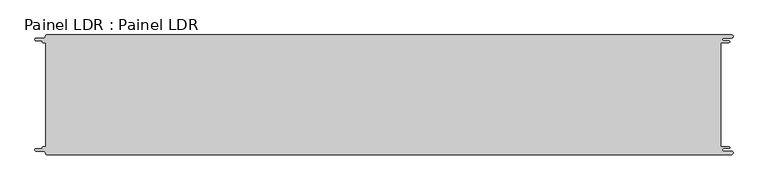
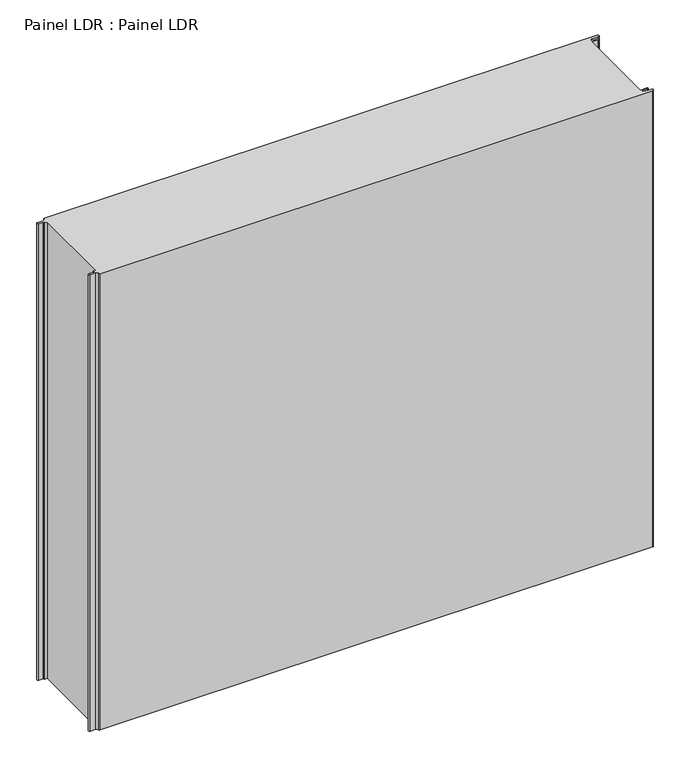
"""IFC4 building model written with IfcOpenShell, lengths in millimetres: proxy geometry, Painel LDR : Painel LDR."""

from ifc_helpers import new_model, si_unit, frame, origin, place, context, project, spatial, polyline, circle_curve, source, transform, mapped, element, save
from ifc_brep_helpers import plane_surface, cylinder_surface, revolved_surface, advanced_brep


def painel_ldr_painel_ldr_690f710b(model_context):
    return source(origin(), model_context, "Body", "AdvancedBrep", [
        advanced_brep(
        [(-579.5093748, -87.3, 1000.0), (-580.1093748, -87.9, 1000.0), (-580.1093748, -88.7085184, 1000.0), (-581.5093751, -90.1085187, 1000.0), (-590.4875, -90.1085187, 1000.0), (-590.4875, -94.5085185, 1000.0), (-578.471875, -94.5085185, 1000.0), (-574.921875, -98.0585185, 1000.0), (-572.971875, -100.0, 1000.0), (572.284375, -100.0, 1000.0), (572.284375, -94.725, 1000.0), (559.378125, -94.725, 1000.0), (559.378125, -89.875, 1000.0), (568.0406253, -89.875, 1000.0), (568.0406253, -87.3, 1000.0), (554.1906253, -87.3, 1000.0), (554.1906253, 87.3, 1000.0), (568.0406253, 87.3, 1000.0), (568.0406253, 89.875, 1000.0), (559.378125, 89.875, 1000.0), (559.378125, 94.725, 1000.0), (572.284375, 94.725, 1000.0), (572.284375, 100.0, 1000.0), (-572.971875, 100.0, 1000.0), (-574.921875, 98.05, 1000.0), (-578.471875, 94.5085185, 1000.0), (-590.4875, 94.5085185, 1000.0), (-590.4875, 90.1085185, 1000.0), (-581.5093753, 90.1085185, 1000.0), (-580.1093753, 88.7085185, 1000.0), (-580.1093753, 87.9, 1000.0), (-579.5093748, 87.2999995, 1000.0), (-574.2218362, 87.2999995, 1000.0), (-574.2218362, -87.3, 1000.0), (-579.5093748, -87.3, 0.0), (-574.2218362, -87.3, 0.0), (-574.2218362, 87.2999995, 0.0), (-579.5093748, 87.2999995, 0.0), (-580.1093753, 87.9, 0.0), (-580.1093753, 88.7085185, 0.0), (-581.5093753, 90.1085185, 0.0), (-590.4875, 90.1085185, 0.0), (-590.4875, 94.5085185, 0.0), (-578.471875, 94.5085185, 0.0), (-574.921875, 98.0585185, 0.0), (-572.971875, 100.0, 0.0), (572.284375, 100.0, 0.0), (572.284375, 94.725, 0.0), (559.378125, 94.725, 0.0), (559.378125, 89.875, 0.0), (568.0406253, 89.875, 0.0), (568.0406253, 87.3, 0.0), (554.1906253, 87.3, 0.0), (554.1906253, -87.3, 0.0), (568.0406253, -87.3, 0.0), (568.0406253, -89.875, 0.0), (559.378125, -89.875, 0.0), (559.378125, -94.725, 0.0), (572.284375, -94.725, 0.0), (572.284375, -100.0, 0.0), (-572.971875, -100.0, 0.0), (-574.921875, -98.05, 0.0), (-578.471875, -94.5085185, 0.0), (-590.4875, -94.5085185, 0.0), (-590.4875, -90.1085187, 0.0), (-581.5093751, -90.1085187, 0.0), (-580.1093748, -88.7085184, 0.0), (-580.1093748, -87.9, 0.0)],
        [
            (0, 1, circle_curve(frame((-579.5093748, -87.9, 1000.0), z_axis=(0.0, 0.0, 1.0), x_axis=(1.0, 0.0, 0.0)), 0.6)),
            (1, 2),
            (2, 3, circle_curve(frame((-581.5093751, -88.7085184, 1000.0), z_axis=(0.0, 0.0, -1.0), x_axis=(1.0, 0.0, 0.0)), 1.4000003)),
            (3, 4),
            (4, 5, circle_curve(frame((-590.4875, -92.3085186, 1000.0), z_axis=(0.0, 0.0, 1.0), x_axis=(1.0, 0.0, 0.0)), 2.1999999)),
            (5, 6),
            (6, 7, circle_curve(frame((-578.471875, -98.0585185, 1000.0), z_axis=(0.0, 0.0, -1.0), x_axis=(1.0, 0.0, 0.0)), 3.55)),
            (7, 8, circle_curve(frame((-572.971875, -98.05, 1000.0), z_axis=(0.0, 0.0, 1.0), x_axis=(1.0, 0.0, 0.0)), 1.95)),
            (8, 9),
            (9, 10, circle_curve(frame((572.284375, -97.3625, 1000.0), z_axis=(0.0, 0.0, 1.0), x_axis=(1.0, 0.0, 0.0)), 2.6375)),
            (10, 11),
            (11, 12, circle_curve(frame((559.378125, -92.3, 1000.0), z_axis=(0.0, 0.0, -1.0), x_axis=(1.0, 0.0, 0.0)), 2.425)),
            (12, 13),
            (13, 14, circle_curve(frame((568.0406253, -88.5875, 1000.0), z_axis=(0.0, 0.0, 1.0), x_axis=(1.0, 0.0, 0.0)), 1.2875)),
            (14, 15),
            (15, 16),
            (16, 17),
            (17, 18, circle_curve(frame((568.0406253, 88.5875, 1000.0), z_axis=(0.0, 0.0, 1.0), x_axis=(1.0, 0.0, 0.0)), 1.2875)),
            (18, 19),
            (19, 20, circle_curve(frame((559.378125, 92.3, 1000.0), z_axis=(0.0, 0.0, -1.0), x_axis=(1.0, 0.0, 0.0)), 2.425)),
            (20, 21),
            (21, 22, circle_curve(frame((572.284375, 97.3625, 1000.0), z_axis=(0.0, 0.0, 1.0), x_axis=(1.0, 0.0, 0.0)), 2.6375)),
            (22, 23),
            (23, 24, circle_curve(frame((-572.971875, 98.05, 1000.0), z_axis=(0.0, 0.0, 1.0), x_axis=(1.0, 0.0, 0.0)), 1.95)),
            (24, 25, circle_curve(frame((-578.471875, 98.0585185, 1000.0), z_axis=(0.0, 0.0, -1.0), x_axis=(1.0, 0.0, 0.0)), 3.55)),
            (25, 26),
            (26, 27, circle_curve(frame((-590.4875, 92.3085185, 1000.0), z_axis=(0.0, 0.0, 1.0), x_axis=(1.0, 0.0, 0.0)), 2.2)),
            (27, 28),
            (28, 29, circle_curve(frame((-581.5093753, 88.7085185, 1000.0), z_axis=(0.0, 0.0, -1.0), x_axis=(1.0, 0.0, 0.0)), 1.4)),
            (29, 30),
            (30, 31, circle_curve(frame((-579.5093748, 87.9, 1000.0), z_axis=(0.0, 0.0, 1.0), x_axis=(1.0, 0.0, 0.0)), 0.6000005)),
            (31, 32),
            (32, 33),
            (33, 0),
            (34, 35),
            (35, 36),
            (36, 37),
            (37, 38, circle_curve(frame((-579.5093748, 87.9, 0.0), z_axis=(0.0, 0.0, -1.0), x_axis=(1.0, 0.0, 0.0)), 0.6000005)),
            (38, 39),
            (39, 40, circle_curve(frame((-581.5093753, 88.7085185, 0.0), z_axis=(0.0, 0.0, 1.0), x_axis=(1.0, 0.0, 0.0)), 1.4)),
            (40, 41),
            (41, 42, circle_curve(frame((-590.4875, 92.3085185, 0.0), z_axis=(0.0, 0.0, -1.0), x_axis=(1.0, 0.0, 0.0)), 2.2)),
            (42, 43),
            (43, 44, circle_curve(frame((-578.471875, 98.0585185, 0.0), z_axis=(0.0, 0.0, 1.0), x_axis=(1.0, 0.0, 0.0)), 3.55)),
            (44, 45, circle_curve(frame((-572.971875, 98.05, 0.0), z_axis=(0.0, 0.0, -1.0), x_axis=(1.0, 0.0, 0.0)), 1.95)),
            (45, 46),
            (46, 47, circle_curve(frame((572.284375, 97.3625, 0.0), z_axis=(0.0, 0.0, -1.0), x_axis=(1.0, 0.0, 0.0)), 2.6375)),
            (47, 48),
            (48, 49, circle_curve(frame((559.378125, 92.3, 0.0), z_axis=(0.0, 0.0, 1.0), x_axis=(1.0, 0.0, 0.0)), 2.425)),
            (49, 50),
            (50, 51, circle_curve(frame((568.0406253, 88.5875, 0.0), z_axis=(0.0, 0.0, -1.0), x_axis=(1.0, 0.0, 0.0)), 1.2875)),
            (51, 52),
            (52, 53),
            (53, 54),
            (54, 55, circle_curve(frame((568.0406253, -88.5875, 0.0), z_axis=(0.0, 0.0, -1.0), x_axis=(1.0, 0.0, 0.0)), 1.2875)),
            (55, 56),
            (56, 57, circle_curve(frame((559.378125, -92.3, 0.0), z_axis=(0.0, 0.0, 1.0), x_axis=(1.0, 0.0, 0.0)), 2.425)),
            (57, 58),
            (58, 59, circle_curve(frame((572.284375, -97.3625, 0.0), z_axis=(0.0, 0.0, -1.0), x_axis=(1.0, 0.0, 0.0)), 2.6375)),
            (59, 60),
            (60, 61, circle_curve(frame((-572.971875, -98.05, 0.0), z_axis=(0.0, 0.0, -1.0), x_axis=(1.0, 0.0, 0.0)), 1.95)),
            (61, 62, circle_curve(frame((-578.471875, -98.0585185, 0.0), z_axis=(0.0, 0.0, 1.0), x_axis=(1.0, 0.0, 0.0)), 3.55)),
            (62, 63),
            (63, 64, circle_curve(frame((-590.4875, -92.3085186, 0.0), z_axis=(0.0, 0.0, -1.0), x_axis=(1.0, 0.0, 0.0)), 2.1999999)),
            (64, 65),
            (65, 66, circle_curve(frame((-581.5093751, -88.7085184, 0.0), z_axis=(0.0, 0.0, 1.0), x_axis=(1.0, 0.0, 0.0)), 1.4000003)),
            (66, 67),
            (67, 34, circle_curve(frame((-579.5093748, -87.9, 0.0), z_axis=(0.0, 0.0, -1.0), x_axis=(1.0, 0.0, 0.0)), 0.6)),
            (33, 35),
            (34, 0),
            (32, 36),
            (31, 37),
            (30, 38),
            (29, 39),
            (28, 40),
            (27, 41),
            (26, 42),
            (25, 43),
            (24, 44),
            (23, 45),
            (22, 46),
            (15, 53),
            (52, 16),
            (14, 54),
            (13, 55),
            (12, 56),
            (11, 57),
            (10, 58),
            (9, 59),
            (8, 60),
            (7, 61),
            (6, 62),
            (5, 63),
            (4, 64),
            (3, 65),
            (2, 66),
            (1, 67),
            (21, 47),
            (20, 48),
            (19, 49),
            (18, 50),
            (17, 51),
        ],
        [
            plane_surface(frame((-574.2218362, -87.3, 1000.0), z_axis=(0.0, 0.0, 1.0), x_axis=(1.0, 0.0, 0.0))),
            plane_surface(frame((-574.2218362, -87.3, 0.0), z_axis=(0.0, 0.0, -1.0), x_axis=(-1.0, 0.0, 0.0))),
            plane_surface(frame((-579.5093748, -87.3, 1000.0), z_axis=(0.0, 1.0, 0.0), x_axis=(0.0, 0.0, -1.0))),
            plane_surface(frame((-574.2218362, -87.3, 1000.0), z_axis=(-1.0, 0.0, 0.0), x_axis=(0.0, 0.0, -1.0))),
            plane_surface(frame((-574.2218362, 87.2999995, 1000.0), z_axis=(0.0, -1.0, 0.0), x_axis=(0.0, 0.0, -1.0))),
            cylinder_surface(frame((-579.5093748, 87.9, 0.0), z_axis=(0.0, 0.0, 1.0), x_axis=(1.0, 0.0, 0.0)), 0.6000005),
            plane_surface(frame((-580.1093753, 87.9, 1000.0), z_axis=(-1.0, -1.757860866232952e-12, 0.0), x_axis=(0.0, 0.0, -1.0))),
            revolved_surface(polyline([(-580.1093753, 88.7085185, 0.0), (-580.1093753, 88.7085185, 1000.0)]), (-581.5093753, 88.7085185, 0.0), (0.0, 0.0, -1.0)),
            plane_surface(frame((-581.5093753, 90.1085185, 1000.0), z_axis=(0.0, -1.0, 0.0), x_axis=(0.0, 0.0, -1.0))),
            cylinder_surface(frame((-590.4875, 92.3085185, 0.0), z_axis=(0.0, 0.0, 1.0), x_axis=(1.0, 0.0, 0.0)), 2.2),
            plane_surface(frame((-590.4875, 94.5085185, 1000.0), z_axis=(0.0, 1.0, 0.0), x_axis=(0.0, 0.0, -1.0))),
            revolved_surface(polyline([(-574.921875, 98.0585185, 0.0), (-574.921875, 98.0585185, 1000.0)]), (-578.471875, 98.0585185, 0.0), (0.0, 0.0, -1.0)),
            cylinder_surface(frame((-572.971875, 98.05, 0.0), z_axis=(0.0, 0.0, 1.0), x_axis=(1.0, 0.0, 0.0)), 1.95),
            plane_surface(frame((-572.971875, 100.0, 1000.0), z_axis=(0.0, 1.0, 0.0), x_axis=(0.0, 0.0, -1.0))),
            plane_surface(frame((554.1906253, 87.3, 1000.0), z_axis=(1.0, 0.0, 0.0), x_axis=(0.0, 0.0, -1.0))),
            plane_surface(frame((554.1906253, -87.3, 1000.0), z_axis=(0.0, 1.0, 0.0), x_axis=(0.0, 0.0, -1.0))),
            cylinder_surface(frame((568.0406253, -88.5875, 0.0), z_axis=(0.0, 0.0, 1.0), x_axis=(1.0, 0.0, 0.0)), 1.2875),
            plane_surface(frame((568.0406253, -89.875, 1000.0), z_axis=(0.0, -1.0, 0.0), x_axis=(0.0, 0.0, -1.0))),
            revolved_surface(polyline([(561.8031249999999, -92.3, 0.0), (561.8031249999999, -92.3, 1000.0)]), (559.378125, -92.3, 0.0), (0.0, 0.0, -1.0)),
            plane_surface(frame((559.378125, -94.725, 1000.0), z_axis=(0.0, 1.0, 0.0), x_axis=(0.0, 0.0, -1.0))),
            cylinder_surface(frame((572.284375, -97.3625, 0.0), z_axis=(0.0, 0.0, 1.0), x_axis=(1.0, 0.0, 0.0)), 2.6375),
            plane_surface(frame((572.284375, -100.0, 1000.0), z_axis=(0.0, -1.0, 0.0), x_axis=(0.0, 0.0, -1.0))),
            cylinder_surface(frame((-572.971875, -98.05, 0.0), z_axis=(0.0, 0.0, 1.0), x_axis=(1.0, 0.0, 0.0)), 1.95),
            revolved_surface(polyline([(-574.921875, -98.0585185, 0.0), (-574.921875, -98.0585185, 1000.0)]), (-578.471875, -98.0585185, 0.0), (0.0, 0.0, -1.0)),
            plane_surface(frame((-578.471875, -94.5085185, 1000.0), z_axis=(0.0, -1.0, 0.0), x_axis=(0.0, 0.0, -1.0))),
            cylinder_surface(frame((-590.4875, -92.3085186, 0.0), z_axis=(0.0, 0.0, 1.0), x_axis=(1.0, 0.0, 0.0)), 2.1999999),
            plane_surface(frame((-590.4875, -90.1085187, 1000.0), z_axis=(0.0, 1.0, 0.0), x_axis=(0.0, 0.0, -1.0))),
            revolved_surface(polyline([(-580.1093748000001, -88.7085184, 0.0), (-580.1093748000001, -88.7085184, 1000.0)]), (-581.5093751, -88.7085184, 0.0), (0.0, 0.0, -1.0)),
            plane_surface(frame((-580.1093748, -88.7085184, 1000.0), z_axis=(-1.0, 0.0, 0.0), x_axis=(0.0, 0.0, -1.0))),
            cylinder_surface(frame((-579.5093748, -87.9, 0.0), z_axis=(0.0, 0.0, 1.0), x_axis=(1.0, 0.0, 0.0)), 0.6),
            cylinder_surface(frame((572.284375, 97.3625, 0.0), z_axis=(0.0, 0.0, 1.0), x_axis=(1.0, 0.0, 0.0)), 2.6375),
            plane_surface(frame((572.284375, 94.725, 1000.0), z_axis=(0.0, -1.0, 0.0), x_axis=(0.0, 0.0, -1.0))),
            revolved_surface(polyline([(561.8031249999999, 92.3, 0.0), (561.8031249999999, 92.3, 1000.0)]), (559.378125, 92.3, 0.0), (0.0, 0.0, -1.0)),
            plane_surface(frame((559.378125, 89.875, 1000.0), z_axis=(0.0, 1.0, 0.0), x_axis=(0.0, 0.0, -1.0))),
            cylinder_surface(frame((568.0406253, 88.5875, 0.0), z_axis=(0.0, 0.0, 1.0), x_axis=(1.0, 0.0, 0.0)), 1.2875),
            plane_surface(frame((568.0406253, 87.3, 1000.0), z_axis=(0.0, -1.0, 0.0), x_axis=(0.0, 0.0, -1.0))),
        ],
        [
            (0, [[1, 2, 3, 4, 5, 6, 7, 8, 9, 10, 11, 12, 13, 14, 15, 16, 17, 18, 19, 20, 21, 22, 23, 24, 25, 26, 27, 28, 29, 30, 31, 32, 33, 34]]),
            (1, [[35, 36, 37, 38, 39, 40, 41, 42, 43, 44, 45, 46, 47, 48, 49, 50, 51, 52, 53, 54, 55, 56, 57, 58, 59, 60, 61, 62, 63, 64, 65, 66, 67, 68]]),
            (2, [[69, -35, 70, -34]]),
            (3, [[71, -36, -69, -33]]),
            (4, [[72, -37, -71, -32]]),
            (5, [[73, -38, -72, -31]]),
            (6, [[74, -39, -73, -30]]),
            (7, [[75, -40, -74, -29]]),
            (8, [[76, -41, -75, -28]]),
            (9, [[77, -42, -76, -27]]),
            (10, [[78, -43, -77, -26]]),
            (11, [[79, -44, -78, -25]]),
            (12, [[80, -45, -79, -24]]),
            (13, [[81, -46, -80, -23]]),
            (14, [[82, -53, 83, -16]]),
            (15, [[84, -54, -82, -15]]),
            (16, [[85, -55, -84, -14]]),
            (17, [[86, -56, -85, -13]]),
            (18, [[87, -57, -86, -12]]),
            (19, [[88, -58, -87, -11]]),
            (20, [[89, -59, -88, -10]]),
            (21, [[90, -60, -89, -9]]),
            (22, [[91, -61, -90, -8]]),
            (23, [[92, -62, -91, -7]]),
            (24, [[93, -63, -92, -6]]),
            (25, [[94, -64, -93, -5]]),
            (26, [[95, -65, -94, -4]]),
            (27, [[96, -66, -95, -3]]),
            (28, [[97, -67, -96, -2]]),
            (29, [[-70, -68, -97, -1]]),
            (30, [[98, -47, -81, -22]]),
            (31, [[99, -48, -98, -21]]),
            (32, [[100, -49, -99, -20]]),
            (33, [[101, -50, -100, -19]]),
            (34, [[102, -51, -101, -18]]),
            (35, [[-83, -52, -102, -17]]),
        ],
    ),
    ])


if __name__ == "__main__":
    model = new_model("IFC4")
    model_context = context("Model", 3, world=origin())
    ifc_project = project(units=[si_unit("LENGTHUNIT", "METRE", prefix="MILLI")], contexts=[model_context])
    site = spatial("IfcSite", under=ifc_project)
    building = spatial("IfcBuilding", under=site)
    placement = place(None, origin())
    painel_ldr_painel_ldr_shape = painel_ldr_painel_ldr_690f710b(model_context)
    element("IfcBuildingElementProxy", 1, Name="Painel LDR : Painel LDR", ObjectType="Painel LDR : Painel LDR", at=placement, inside=building, context=model_context, shape_type="MappedRepresentation", body=[
        mapped(painel_ldr_painel_ldr_shape, transform((0.0, 0.0, 0.0), x_axis=(1.0, 0.0, 0.0), y_axis=(0.0, 1.0, 0.0), z_axis=(0.0, 0.0, 1.0))),
    ])
    save(model, "model.ifc")
